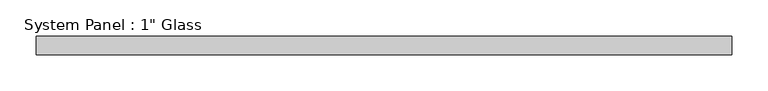
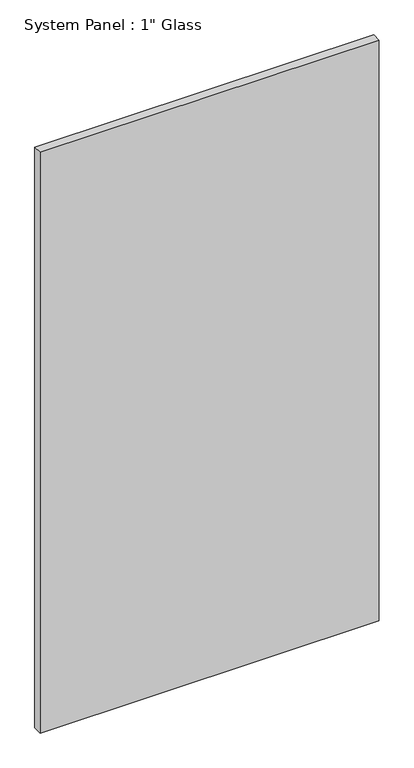
"""IFC4 building model written with IfcOpenShell, lengths in millimetres: plate geometry."""

import ifcopenshell
import ifcopenshell.guid

model = None  # the IFC model being written
_history = None  # IfcOwnerHistory: only IFC2X3 demands one
_inside = {}  # id of a spatial element -> (the spatial element, [elements in it])
_under = {}  # id of a project, library or spatial element -> (it, [spatial elements below it])
_declared = {}  # id of a project -> (the project, [libraries it declares])
_typed = {}  # id of a type object -> (the type object, [elements of that type])
_made_of = {}  # id of a material, layer set ... -> (it, [elements and type objects made of it])


def new_model(schema):
    """Start an empty IFC model of exactly this schema.

    Asked for "IFC4X3", IfcOpenShell would pick the latest addendum, in which some entities
    have other attributes; the version numbers below select the first issue.
    IFC2X3 requires an IfcOwnerHistory on every rooted entity: one is made here for all.
    """
    global model, _history
    if schema == "IFC4X3":
        model = ifcopenshell.file(schema_version=(4, 3, 0, 0))
    else:
        model = ifcopenshell.file(schema=schema)
    _inside.clear()
    _under.clear()
    _declared.clear()
    _typed.clear()
    _made_of.clear()
    _history = None
    if model.schema == "IFC2X3":
        org = make("IfcOrganization", Name="unknown")
        user = make(
            "IfcPersonAndOrganization",
            ThePerson=make("IfcPerson", FamilyName="unknown"),
            TheOrganization=org,
        )
        app = make(
            "IfcApplication",
            ApplicationDeveloper=org,
            Version="unknown",
            ApplicationFullName="unknown",
            ApplicationIdentifier="unknown",
        )
        _history = make(
            "IfcOwnerHistory",
            OwningUser=user,
            OwningApplication=app,
            ChangeAction="ADDED",
            CreationDate=0,
        )
    return model


def make(cls, **values):
    """One entity of the class cls with the attributes given. An attribute that is None is left unset."""
    return model.create_entity(
        cls, **{name: value for name, value in values.items() if value is not None}
    )


def rooted(cls, **values):
    """An entity with a GlobalId (a new one), such as an element, a storey or a relation."""
    return make(cls, GlobalId=ifcopenshell.guid.new(), OwnerHistory=_history, **values)


def si_unit(unit_type, name, prefix=None):
    """IfcSIUnit, for example si_unit("LENGTHUNIT", "METRE", prefix="MILLI")."""
    return make("IfcSIUnit", UnitType=unit_type, Prefix=prefix, Name=name)


def assignment(units):
    """IfcUnitAssignment: the units of a project."""
    return None if units is None else make("IfcUnitAssignment", Units=units)


def point(xyz):
    """IfcCartesianPoint."""
    return None if xyz is None else make("IfcCartesianPoint", Coordinates=xyz)


def direction(xyz):
    """IfcDirection."""
    return None if xyz is None else make("IfcDirection", DirectionRatios=xyz)


def frame(location, z_axis=None, x_axis=None):
    """IfcAxis2Placement3D, a coordinate frame: its origin and axes. An axis left out is left unset."""
    return make(
        "IfcAxis2Placement3D",
        Location=point(location),
        Axis=direction(z_axis),
        RefDirection=direction(x_axis),
    )


def origin():
    """The frame at (0, 0, 0) with its axes left unset."""
    return frame((0.0, 0.0, 0.0))


def origin_with_axes():
    """The frame at (0, 0, 0) with the z axis (0, 0, 1) and the x axis (1, 0, 0) written out."""
    return frame((0.0, 0.0, 0.0), z_axis=(0.0, 0.0, 1.0), x_axis=(1.0, 0.0, 0.0))


def place(relative_to, where):
    """IfcLocalPlacement: puts the frame where relative to a parent placement (None: the world)."""
    return make(
        "IfcLocalPlacement", PlacementRelTo=relative_to, RelativePlacement=where
    )


def context(
    kind, dimensions, precision=None, world=None, true_north=None, identifier=None
):
    """IfcGeometricRepresentationContext, for example the 3D "Model" context."""
    return make(
        "IfcGeometricRepresentationContext",
        ContextIdentifier=identifier,
        ContextType=kind,
        CoordinateSpaceDimension=dimensions,
        Precision=precision,
        WorldCoordinateSystem=world,
        TrueNorth=true_north,
    )


def project(units=None, contexts=None):
    """IfcProject with its units and contexts."""
    return rooted(
        "IfcProject",
        Name="project",
        RepresentationContexts=contexts,
        UnitsInContext=assignment(units),
    )


def spatial(cls, under=None, at=None, **own):
    """A site, building, storey or space (cls), placed at a placement, below another one or the project."""
    s = rooted(cls, ObjectPlacement=at, **own)
    if under is not None:
        _under.setdefault(under.id(), (under, []))[1].append(s)
    return s


def polyline(points):
    """IfcPolyline through the points."""
    return make("IfcPolyline", Points=[point(p) for p in points])


def outline(outer, holes=None, kind="AREA"):
    """IfcArbitraryClosedProfileDef: a profile drawn as a closed curve; with holes, ...WithVoids."""
    if holes is None:
        return make("IfcArbitraryClosedProfileDef", ProfileType=kind, OuterCurve=outer)
    return make(
        "IfcArbitraryProfileDefWithVoids",
        ProfileType=kind,
        OuterCurve=outer,
        InnerCurves=holes,
    )


def extrude(swept, where, along, depth):
    """IfcExtrudedAreaSolid: the profile swept, set in the frame where, extruded along a direction by depth."""
    return make(
        "IfcExtrudedAreaSolid",
        SweptArea=swept,
        Position=where,
        ExtrudedDirection=direction(along),
        Depth=depth,
    )


def shape(context_of_items, identifier, shape_type, items):
    """IfcShapeRepresentation: the items that make up one representation, for example the "Body"."""
    return make(
        "IfcShapeRepresentation",
        ContextOfItems=context_of_items,
        RepresentationIdentifier=identifier,
        RepresentationType=shape_type,
        Items=items,
    )


def source(mapping_origin, context_of_items, identifier, shape_type, items):
    """IfcRepresentationMap: a shape defined once, which mapped items show again and again."""
    return make(
        "IfcRepresentationMap",
        MappingOrigin=mapping_origin,
        MappedRepresentation=shape(context_of_items, identifier, shape_type, items),
    )


def transform(
    local_origin,
    x_axis=None,
    y_axis=None,
    z_axis=None,
    scale=None,
    scale2=None,
    scale3=None,
    uniform=True,
):
    """IfcCartesianTransformationOperator3D, or its non-uniform kind. x_axis, y_axis, z_axis: its Axis1, 2, 3."""
    if uniform:
        return make(
            "IfcCartesianTransformationOperator3D",
            Axis1=direction(x_axis),
            Axis2=direction(y_axis),
            LocalOrigin=point(local_origin),
            Scale=scale,
            Axis3=direction(z_axis),
        )
    return make(
        "IfcCartesianTransformationOperator3DnonUniform",
        Axis1=direction(x_axis),
        Axis2=direction(y_axis),
        LocalOrigin=point(local_origin),
        Scale=scale,
        Axis3=direction(z_axis),
        Scale2=scale2,
        Scale3=scale3,
    )


def mapped(mapping_source, mapping_target):
    """IfcMappedItem: shows the shape of a source again, moved by a transform."""
    return make(
        "IfcMappedItem", MappingSource=mapping_source, MappingTarget=mapping_target
    )


def made_of(thing, what):
    """Note that an element or type object is made of a material, layer set ...; save() writes the relation."""
    if what is not None:
        _made_of.setdefault(what.id(), (what, []))[1].append(thing)
    return thing


def element(
    cls,
    number,
    at=None,
    inside=None,
    cuts=None,
    type_object=None,
    material=None,
    context=None,
    identifier="Body",
    shape_type=None,
    held_by="IfcProductDefinitionShape",
    body=None,
    shapes=None,
    **own,
):
    """One element of the class cls, such as IfcWall. Its Tag is "e" and its number.

    at: its placement. inside: the storey or other place that contains it. cuts: it is an
    opening in that element (IfcRelVoidsElement). A single representation is given by context,
    identifier, shape_type and body (its items); several are given by shapes. held_by: the class
    of the entity that holds the representations. save() writes the other relations.
    """
    e = rooted(cls, Tag="e%d" % number, ObjectPlacement=at, **own)
    if body is not None:
        shapes = [shape(context, identifier, shape_type, body)]
    if shapes is not None:
        e.Representation = make(held_by, Representations=shapes)
    if inside is not None:
        _inside.setdefault(inside.id(), (inside, []))[1].append(e)
    if cuts is not None:
        rooted(
            "IfcRelVoidsElement", RelatingBuildingElement=cuts, RelatedOpeningElement=e
        )
    if type_object is not None:
        _typed.setdefault(type_object.id(), (type_object, []))[1].append(e)
    return made_of(e, material)


def aggregate(whole, parts):
    """IfcRelAggregates: a whole, such as a stair, and the parts it consists of."""
    return rooted("IfcRelAggregates", RelatingObject=whole, RelatedObjects=parts)


def save(model, path):
    """Write the relations noted so far, then the file.

    IfcRelAggregates (storeys below a building ...), IfcRelContainedInSpatialStructure (elements
    in a storey), IfcRelDefinesByType, IfcRelAssociatesMaterial and IfcRelDeclares: one each for
    every whole, place, type object, material and project.
    """
    for whole, parts in _under.values():
        aggregate(whole, parts)
    for where, things in _inside.values():
        rooted(
            "IfcRelContainedInSpatialStructure",
            RelatedElements=things,
            RelatingStructure=where,
        )
    for kind, things in _typed.values():
        rooted("IfcRelDefinesByType", RelatedObjects=things, RelatingType=kind)
    for what, things in _made_of.values():
        rooted("IfcRelAssociatesMaterial", RelatedObjects=things, RelatingMaterial=what)
    for by, libraries in _declared.values():
        rooted("IfcRelDeclares", RelatingContext=by, RelatedDefinitions=libraries)
    model.write(path)


def plate_b3c39e2b(model_context):
    return source(origin(), model_context, "Body", "SweptSolid", [
        extrude(outline(polyline([(480.5602332, -12.7), (-480.5602332, -12.7), (-480.5602332, 12.7), (480.5602332, 12.7), (480.5602332, -12.7)])), origin_with_axes(), (0.0, 0.0, 1.0), 1739.9),
    ])


if __name__ == "__main__":
    model = new_model("IFC4")
    model_context = context("Model", 3, world=origin())
    ifc_project = project(units=[si_unit("LENGTHUNIT", "METRE", prefix="MILLI")], contexts=[model_context])
    site = spatial("IfcSite", under=ifc_project)
    building = spatial("IfcBuilding", under=site)
    placement = place(None, origin())
    plate_shape = plate_b3c39e2b(model_context)
    element("IfcPlate", 1, ObjectType="System Panel : 1\" Glass", at=placement, inside=building, context=model_context, shape_type="MappedRepresentation", body=[
        mapped(plate_shape, transform((0.0, 0.0, 0.0), x_axis=(1.0, 0.0, 0.0), y_axis=(0.0, 1.0, 0.0), z_axis=(0.0, 0.0, 1.0))),
    ])
    save(model, "model.ifc")
